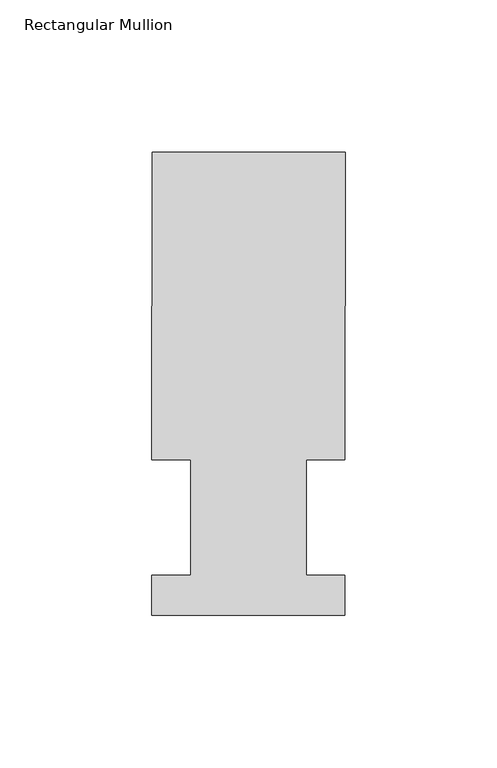
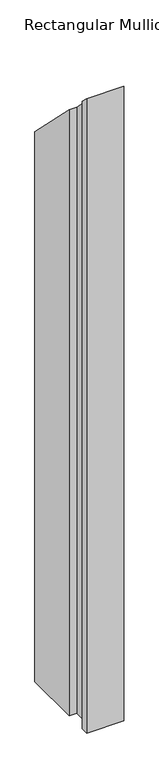
"""IFC4 building model written with IfcOpenShell, lengths in millimetres: member geometry, Rectangular Mullion."""

from ifc_helpers import new_model, si_unit, origin, place, context, project, spatial, faceted_brep, source, transform, mapped, element, save


def rectangular_mullion_faefe535(model_context):
    return source(origin(), model_context, "Body", "Brep", [
        faceted_brep([(-63.5, 152.4896937, -1143.0084137), (-3e-07, 152.4831645, -1143.0084137), (-0.0104046, 51.2960937, -1143.0084137), (-12.6977047, 51.2960937, -1143.0084137), (-12.7016222, 13.1960938, -1143.0084137), (-0.0143221, 13.1960938, -1143.0084137), (-0.0156783, 0.0069653, -1143.0084137), (-63.5156779, 0.0134946, -1143.0084137), (-63.5143225, 13.1960938, -1143.0084137), (-50.8143224, 13.1960938, -1143.0084137), (-50.8104049, 51.2960937, -1143.0084137), (-63.510405, 51.2960937, -1143.0084137), (-63.510405, 51.2960937, -51.2960938), (-63.5, 152.4896937, -152.4896938), (-50.8104049, 51.2960937, -51.2960937), (-50.8143224, 13.1960938, -13.1960938), (-63.5143225, 13.1960938, -13.1960938), (-63.5156779, 0.0134946, -0.0134946), (-0.0156783, 0.0069653, -0.0069653), (-0.0143221, 13.1960938, -13.1960938), (-12.7016222, 13.1960938, -13.1960938), (-12.6977047, 51.2960937, -51.2960938), (-0.0104046, 51.2960937, -51.2960938), (-3e-07, 152.4831645, -152.4831645)], [[[0, 1, 2, 3, 4, 5, 6, 7, 8, 9, 10, 11]], [[12, 13, 0, 11]], [[14, 12, 11, 10]], [[15, 14, 10, 9]], [[16, 15, 9, 8]], [[17, 16, 8, 7]], [[18, 17, 7, 6]], [[19, 18, 6, 5]], [[20, 19, 5, 4]], [[21, 20, 4, 3]], [[22, 21, 3, 2]], [[23, 22, 2, 1]], [[13, 23, 1, 0]], [[13, 12, 14, 15, 16, 17, 18, 19, 20, 21, 22, 23]]]),
    ])


if __name__ == "__main__":
    model = new_model("IFC4")
    model_context = context("Model", 3, world=origin())
    ifc_project = project(units=[si_unit("LENGTHUNIT", "METRE", prefix="MILLI")], contexts=[model_context])
    site = spatial("IfcSite", under=ifc_project)
    building = spatial("IfcBuilding", under=site)
    placement = place(None, origin())
    rectangular_mullion_shape = rectangular_mullion_faefe535(model_context)
    element("IfcMember", 1, ObjectType="Rectangular Mullion", at=placement, inside=building, context=model_context, shape_type="MappedRepresentation", body=[
        mapped(rectangular_mullion_shape, transform((0.0, 0.0, 0.0), x_axis=(1.0, 0.0, 0.0), y_axis=(0.0, 1.0, 0.0), z_axis=(0.0, 0.0, 1.0))),
    ])
    save(model, "model.ifc")
